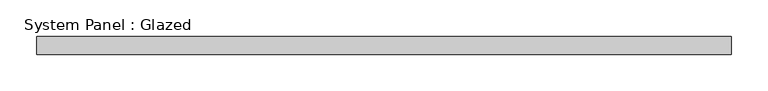
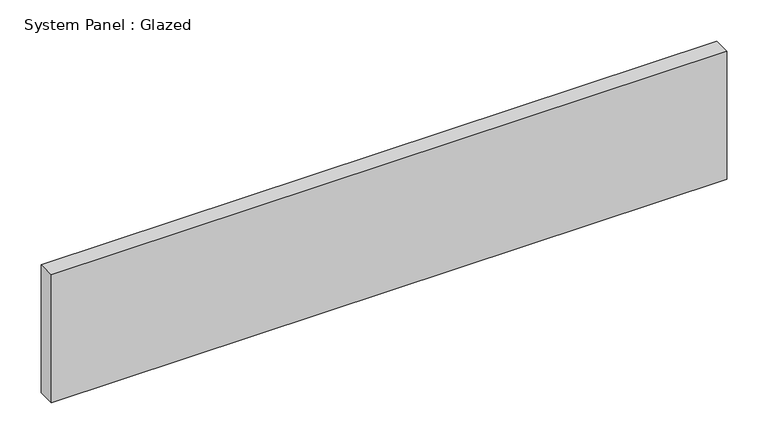
"""IFC4 building model written with IfcOpenShell, lengths in millimetres: plate geometry, System Panel : Glazed."""

import ifcopenshell
import ifcopenshell.guid

model = None  # the IFC model being written
_history = None  # IfcOwnerHistory: only IFC2X3 demands one
_inside = {}  # id of a spatial element -> (the spatial element, [elements in it])
_under = {}  # id of a project, library or spatial element -> (it, [spatial elements below it])
_declared = {}  # id of a project -> (the project, [libraries it declares])
_typed = {}  # id of a type object -> (the type object, [elements of that type])
_made_of = {}  # id of a material, layer set ... -> (it, [elements and type objects made of it])


def new_model(schema):
    """Start an empty IFC model of exactly this schema.

    Asked for "IFC4X3", IfcOpenShell would pick the latest addendum, in which some entities
    have other attributes; the version numbers below select the first issue.
    IFC2X3 requires an IfcOwnerHistory on every rooted entity: one is made here for all.
    """
    global model, _history
    if schema == "IFC4X3":
        model = ifcopenshell.file(schema_version=(4, 3, 0, 0))
    else:
        model = ifcopenshell.file(schema=schema)
    _inside.clear()
    _under.clear()
    _declared.clear()
    _typed.clear()
    _made_of.clear()
    _history = None
    if model.schema == "IFC2X3":
        org = make("IfcOrganization", Name="unknown")
        user = make(
            "IfcPersonAndOrganization",
            ThePerson=make("IfcPerson", FamilyName="unknown"),
            TheOrganization=org,
        )
        app = make(
            "IfcApplication",
            ApplicationDeveloper=org,
            Version="unknown",
            ApplicationFullName="unknown",
            ApplicationIdentifier="unknown",
        )
        _history = make(
            "IfcOwnerHistory",
            OwningUser=user,
            OwningApplication=app,
            ChangeAction="ADDED",
            CreationDate=0,
        )
    return model


def make(cls, **values):
    """One entity of the class cls with the attributes given. An attribute that is None is left unset."""
    return model.create_entity(
        cls, **{name: value for name, value in values.items() if value is not None}
    )


def rooted(cls, **values):
    """An entity with a GlobalId (a new one), such as an element, a storey or a relation."""
    return make(cls, GlobalId=ifcopenshell.guid.new(), OwnerHistory=_history, **values)


def si_unit(unit_type, name, prefix=None):
    """IfcSIUnit, for example si_unit("LENGTHUNIT", "METRE", prefix="MILLI")."""
    return make("IfcSIUnit", UnitType=unit_type, Prefix=prefix, Name=name)


def assignment(units):
    """IfcUnitAssignment: the units of a project."""
    return None if units is None else make("IfcUnitAssignment", Units=units)


def point(xyz):
    """IfcCartesianPoint."""
    return None if xyz is None else make("IfcCartesianPoint", Coordinates=xyz)


def direction(xyz):
    """IfcDirection."""
    return None if xyz is None else make("IfcDirection", DirectionRatios=xyz)


def frame(location, z_axis=None, x_axis=None):
    """IfcAxis2Placement3D, a coordinate frame: its origin and axes. An axis left out is left unset."""
    return make(
        "IfcAxis2Placement3D",
        Location=point(location),
        Axis=direction(z_axis),
        RefDirection=direction(x_axis),
    )


def origin():
    """The frame at (0, 0, 0) with its axes left unset."""
    return frame((0.0, 0.0, 0.0))


def origin_with_axes():
    """The frame at (0, 0, 0) with the z axis (0, 0, 1) and the x axis (1, 0, 0) written out."""
    return frame((0.0, 0.0, 0.0), z_axis=(0.0, 0.0, 1.0), x_axis=(1.0, 0.0, 0.0))


def place(relative_to, where):
    """IfcLocalPlacement: puts the frame where relative to a parent placement (None: the world)."""
    return make(
        "IfcLocalPlacement", PlacementRelTo=relative_to, RelativePlacement=where
    )


def context(
    kind, dimensions, precision=None, world=None, true_north=None, identifier=None
):
    """IfcGeometricRepresentationContext, for example the 3D "Model" context."""
    return make(
        "IfcGeometricRepresentationContext",
        ContextIdentifier=identifier,
        ContextType=kind,
        CoordinateSpaceDimension=dimensions,
        Precision=precision,
        WorldCoordinateSystem=world,
        TrueNorth=true_north,
    )


def project(units=None, contexts=None):
    """IfcProject with its units and contexts."""
    return rooted(
        "IfcProject",
        Name="project",
        RepresentationContexts=contexts,
        UnitsInContext=assignment(units),
    )


def spatial(cls, under=None, at=None, **own):
    """A site, building, storey or space (cls), placed at a placement, below another one or the project."""
    s = rooted(cls, ObjectPlacement=at, **own)
    if under is not None:
        _under.setdefault(under.id(), (under, []))[1].append(s)
    return s


def polyline(points):
    """IfcPolyline through the points."""
    return make("IfcPolyline", Points=[point(p) for p in points])


def outline(outer, holes=None, kind="AREA"):
    """IfcArbitraryClosedProfileDef: a profile drawn as a closed curve; with holes, ...WithVoids."""
    if holes is None:
        return make("IfcArbitraryClosedProfileDef", ProfileType=kind, OuterCurve=outer)
    return make(
        "IfcArbitraryProfileDefWithVoids",
        ProfileType=kind,
        OuterCurve=outer,
        InnerCurves=holes,
    )


def extrude(swept, where, along, depth):
    """IfcExtrudedAreaSolid: the profile swept, set in the frame where, extruded along a direction by depth."""
    return make(
        "IfcExtrudedAreaSolid",
        SweptArea=swept,
        Position=where,
        ExtrudedDirection=direction(along),
        Depth=depth,
    )


def shape(context_of_items, identifier, shape_type, items):
    """IfcShapeRepresentation: the items that make up one representation, for example the "Body"."""
    return make(
        "IfcShapeRepresentation",
        ContextOfItems=context_of_items,
        RepresentationIdentifier=identifier,
        RepresentationType=shape_type,
        Items=items,
    )


def source(mapping_origin, context_of_items, identifier, shape_type, items):
    """IfcRepresentationMap: a shape defined once, which mapped items show again and again."""
    return make(
        "IfcRepresentationMap",
        MappingOrigin=mapping_origin,
        MappedRepresentation=shape(context_of_items, identifier, shape_type, items),
    )


def transform(
    local_origin,
    x_axis=None,
    y_axis=None,
    z_axis=None,
    scale=None,
    scale2=None,
    scale3=None,
    uniform=True,
):
    """IfcCartesianTransformationOperator3D, or its non-uniform kind. x_axis, y_axis, z_axis: its Axis1, 2, 3."""
    if uniform:
        return make(
            "IfcCartesianTransformationOperator3D",
            Axis1=direction(x_axis),
            Axis2=direction(y_axis),
            LocalOrigin=point(local_origin),
            Scale=scale,
            Axis3=direction(z_axis),
        )
    return make(
        "IfcCartesianTransformationOperator3DnonUniform",
        Axis1=direction(x_axis),
        Axis2=direction(y_axis),
        LocalOrigin=point(local_origin),
        Scale=scale,
        Axis3=direction(z_axis),
        Scale2=scale2,
        Scale3=scale3,
    )


def mapped(mapping_source, mapping_target):
    """IfcMappedItem: shows the shape of a source again, moved by a transform."""
    return make(
        "IfcMappedItem", MappingSource=mapping_source, MappingTarget=mapping_target
    )


def made_of(thing, what):
    """Note that an element or type object is made of a material, layer set ...; save() writes the relation."""
    if what is not None:
        _made_of.setdefault(what.id(), (what, []))[1].append(thing)
    return thing


def element(
    cls,
    number,
    at=None,
    inside=None,
    cuts=None,
    type_object=None,
    material=None,
    context=None,
    identifier="Body",
    shape_type=None,
    held_by="IfcProductDefinitionShape",
    body=None,
    shapes=None,
    **own,
):
    """One element of the class cls, such as IfcWall. Its Tag is "e" and its number.

    at: its placement. inside: the storey or other place that contains it. cuts: it is an
    opening in that element (IfcRelVoidsElement). A single representation is given by context,
    identifier, shape_type and body (its items); several are given by shapes. held_by: the class
    of the entity that holds the representations. save() writes the other relations.
    """
    e = rooted(cls, Tag="e%d" % number, ObjectPlacement=at, **own)
    if body is not None:
        shapes = [shape(context, identifier, shape_type, body)]
    if shapes is not None:
        e.Representation = make(held_by, Representations=shapes)
    if inside is not None:
        _inside.setdefault(inside.id(), (inside, []))[1].append(e)
    if cuts is not None:
        rooted(
            "IfcRelVoidsElement", RelatingBuildingElement=cuts, RelatedOpeningElement=e
        )
    if type_object is not None:
        _typed.setdefault(type_object.id(), (type_object, []))[1].append(e)
    return made_of(e, material)


def aggregate(whole, parts):
    """IfcRelAggregates: a whole, such as a stair, and the parts it consists of."""
    return rooted("IfcRelAggregates", RelatingObject=whole, RelatedObjects=parts)


def save(model, path):
    """Write the relations noted so far, then the file.

    IfcRelAggregates (storeys below a building ...), IfcRelContainedInSpatialStructure (elements
    in a storey), IfcRelDefinesByType, IfcRelAssociatesMaterial and IfcRelDeclares: one each for
    every whole, place, type object, material and project.
    """
    for whole, parts in _under.values():
        aggregate(whole, parts)
    for where, things in _inside.values():
        rooted(
            "IfcRelContainedInSpatialStructure",
            RelatedElements=things,
            RelatingStructure=where,
        )
    for kind, things in _typed.values():
        rooted("IfcRelDefinesByType", RelatedObjects=things, RelatingType=kind)
    for what, things in _made_of.values():
        rooted("IfcRelAssociatesMaterial", RelatedObjects=things, RelatingMaterial=what)
    for by, libraries in _declared.values():
        rooted("IfcRelDeclares", RelatingContext=by, RelatedDefinitions=libraries)
    model.write(path)


def system_panel_glazed_49bf9a99(model_context):
    return source(origin(), model_context, "Body", "SweptSolid", [
        extrude(outline(polyline([(475.0, -37.5), (-475.0, -37.5), (-475.0, -12.5), (475.0, -12.5), (475.0, -37.5)])), origin_with_axes(), (0.0, 0.0, 1.0), 190.0),
    ])


if __name__ == "__main__":
    model = new_model("IFC4")
    model_context = context("Model", 3, world=origin())
    ifc_project = project(units=[si_unit("LENGTHUNIT", "METRE", prefix="MILLI")], contexts=[model_context])
    site = spatial("IfcSite", under=ifc_project)
    building = spatial("IfcBuilding", under=site)
    placement = place(None, origin())
    system_panel_glazed_shape = system_panel_glazed_49bf9a99(model_context)
    element("IfcPlate", 1, ObjectType="System Panel : Glazed", at=placement, inside=building, context=model_context, shape_type="MappedRepresentation", body=[
        mapped(system_panel_glazed_shape, transform((0.0, 0.0, 0.0), x_axis=(1.0, 0.0, 0.0), y_axis=(0.0, 1.0, 0.0), z_axis=(0.0, 0.0, 1.0))),
    ])
    save(model, "model.ifc")
